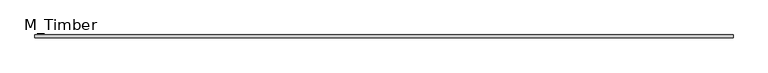
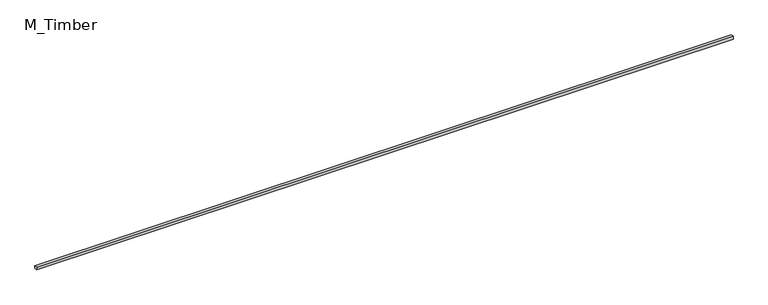
"""IFC4 building model written with IfcOpenShell, lengths in millimetres: beam geometry, M_Timber."""

from ifc_helpers import new_model, si_unit, frame, origin, place, context, project, spatial, polyline, outline, extrude, source, transform, mapped, element, save


def m_timber_325124a7(model_context):
    return source(origin(), model_context, "Body", "SweptSolid", [
        extrude(outline(polyline([(5032.6880466, 20.0), (5032.6880466, -20.0), (-5032.6880466, -20.0), (-5032.6880466, 20.0), (5032.6880466, 20.0)])), frame((0.0, 0.0, -20.0), z_axis=(0.0, 0.0, 1.0), x_axis=(1.0, 0.0, 0.0)), (0.0, 0.0, 1.0), 40.0),
    ])


if __name__ == "__main__":
    model = new_model("IFC4")
    model_context = context("Model", 3, world=origin())
    ifc_project = project(units=[si_unit("LENGTHUNIT", "METRE", prefix="MILLI")], contexts=[model_context])
    site = spatial("IfcSite", under=ifc_project)
    building = spatial("IfcBuilding", under=site)
    placement = place(None, origin())
    m_timber_shape = m_timber_325124a7(model_context)
    element("IfcBeam", 1, ObjectType="M_Timber", at=placement, inside=building, context=model_context, shape_type="MappedRepresentation", body=[
        mapped(m_timber_shape, transform((0.0, 0.0, 0.0), x_axis=(1.0, 0.0, 0.0), y_axis=(0.0, 1.0, 0.0), z_axis=(0.0, 0.0, 1.0))),
    ])
    save(model, "model.ifc")
